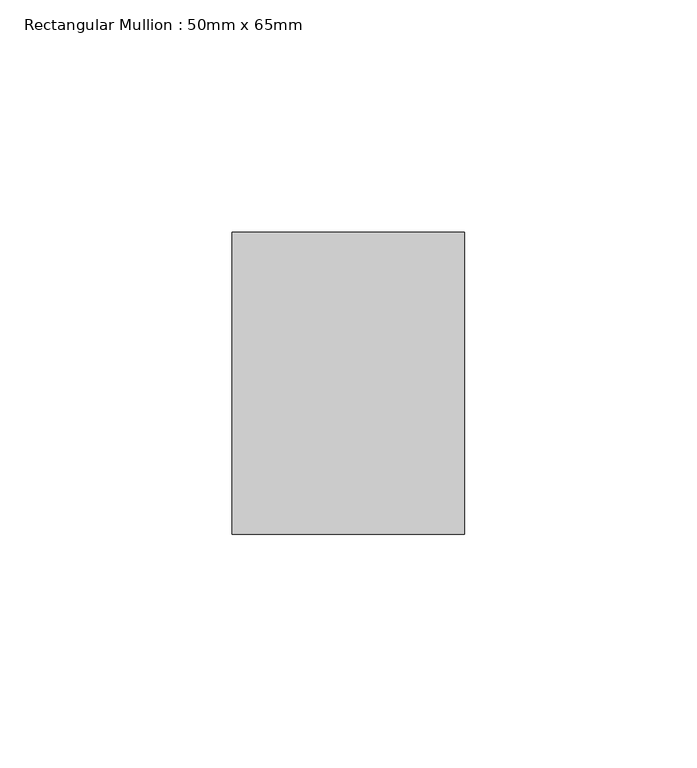
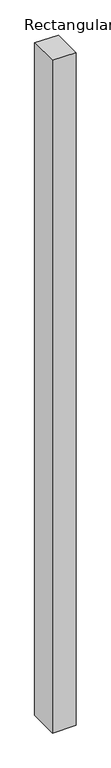
"""IFC4 building model written with IfcOpenShell, lengths in millimetres: member geometry, Rectangular Mullion : 50mm x 65mm."""

from ifc_helpers import new_model, si_unit, frame, origin, place, context, project, spatial, polyline, outline, extrude, source, transform, mapped, element, save


def rectangular_mullion_50mm_x_65mm_0362a349(model_context):
    return source(origin(), model_context, "Body", "SweptSolid", [
        extrude(outline(polyline([(-32.5, 0.1835726), (32.5, -0.1835726), (32.5, -1499.7334094), (-32.5, -1500.2663058), (-32.5, 0.1835726)])), frame((-25.0, 0.0, 0.0), z_axis=(1.0, 0.0, 0.0), x_axis=(0.0, 1.0, 0.0)), (0.0, 0.0, 1.0), 50.0),
    ])


if __name__ == "__main__":
    model = new_model("IFC4")
    model_context = context("Model", 3, world=origin())
    ifc_project = project(units=[si_unit("LENGTHUNIT", "METRE", prefix="MILLI")], contexts=[model_context])
    site = spatial("IfcSite", under=ifc_project)
    building = spatial("IfcBuilding", under=site)
    placement = place(None, origin())
    rectangular_mullion_50mm_x_65mm_shape = rectangular_mullion_50mm_x_65mm_0362a349(model_context)
    element("IfcMember", 1, ObjectType="Rectangular Mullion : 50mm x 65mm", at=placement, inside=building, context=model_context, shape_type="MappedRepresentation", body=[
        mapped(rectangular_mullion_50mm_x_65mm_shape, transform((0.0, 0.0, 0.0), x_axis=(1.0, 0.0, 0.0), y_axis=(0.0, 1.0, 0.0), z_axis=(0.0, 0.0, 1.0))),
    ])
    save(model, "model.ifc")
